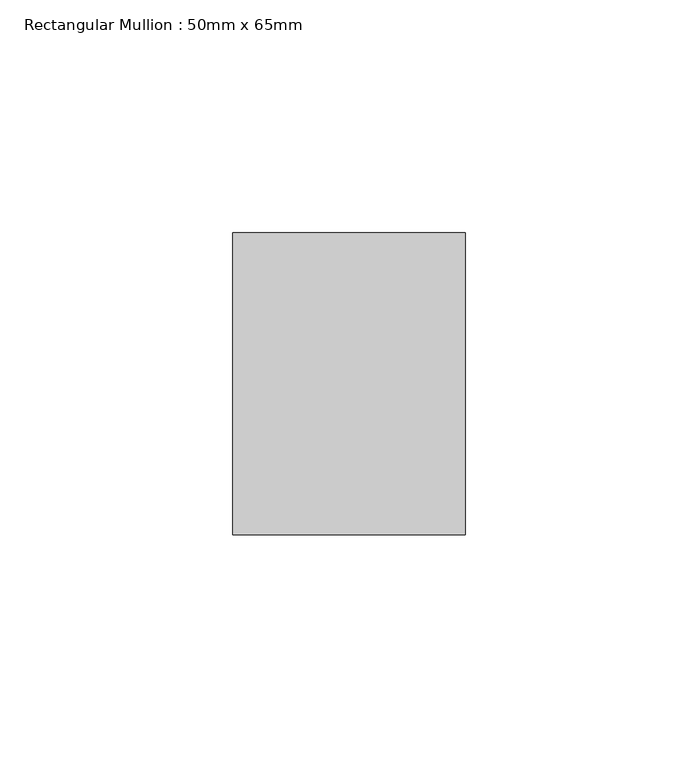
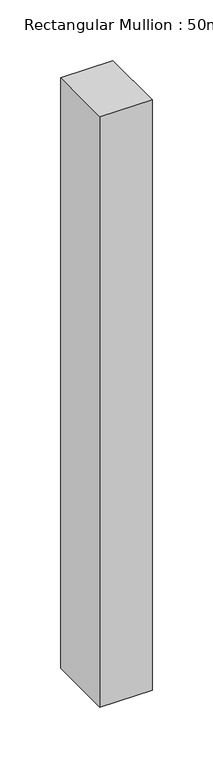
"""IFC4 building model written with IfcOpenShell, lengths in millimetres: member geometry, Rectangular Mullion : 50mm x 65mm."""

from ifc_helpers import new_model, si_unit, frame, origin, place, context, project, spatial, polyline, outline, extrude, source, transform, mapped, element, save


def rectangular_mullion_50mm_x_65mm_1e583fc2(model_context):
    return source(origin(), model_context, "Body", "SweptSolid", [
        extrude(outline(polyline([(25.0, 32.5), (25.0, -32.5), (-25.0, -32.5), (-25.0, 32.5), (25.0, 32.5)])), frame((0.0, 0.0, -595.7757141), z_axis=(0.0, 0.0, 1.0), x_axis=(1.0, 0.0, 0.0)), (0.0, 0.0, 1.0), 595.7757141),
    ])


if __name__ == "__main__":
    model = new_model("IFC4")
    model_context = context("Model", 3, world=origin())
    ifc_project = project(units=[si_unit("LENGTHUNIT", "METRE", prefix="MILLI")], contexts=[model_context])
    site = spatial("IfcSite", under=ifc_project)
    building = spatial("IfcBuilding", under=site)
    placement = place(None, origin())
    rectangular_mullion_50mm_x_65mm_shape = rectangular_mullion_50mm_x_65mm_1e583fc2(model_context)
    element("IfcMember", 1, ObjectType="Rectangular Mullion : 50mm x 65mm", at=placement, inside=building, context=model_context, shape_type="MappedRepresentation", body=[
        mapped(rectangular_mullion_50mm_x_65mm_shape, transform((0.0, 0.0, 0.0), x_axis=(1.0, 0.0, 0.0), y_axis=(0.0, 1.0, 0.0), z_axis=(0.0, 0.0, 1.0))),
    ])
    save(model, "model.ifc")
